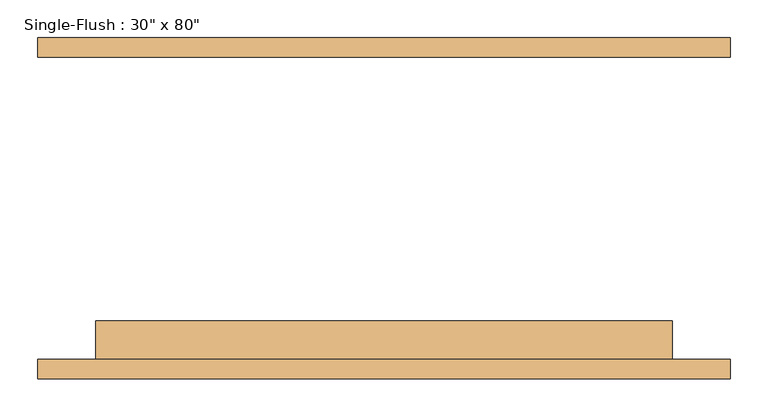
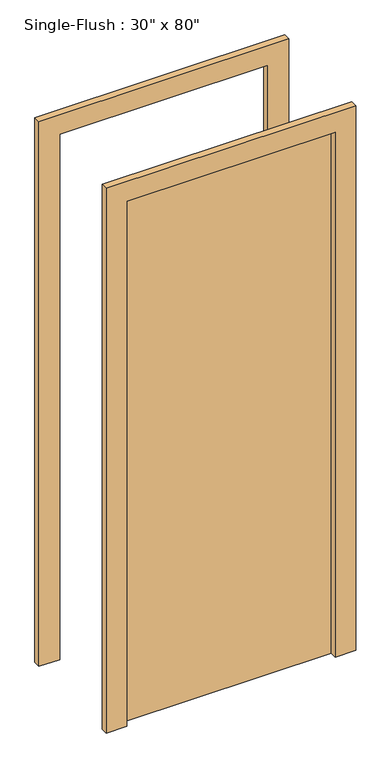
"""IFC4 building model written with IfcOpenShell, lengths in millimetres: door geometry."""

import ifcopenshell
import ifcopenshell.guid

model = None  # the IFC model being written
_history = None  # IfcOwnerHistory: only IFC2X3 demands one
_inside = {}  # id of a spatial element -> (the spatial element, [elements in it])
_under = {}  # id of a project, library or spatial element -> (it, [spatial elements below it])
_declared = {}  # id of a project -> (the project, [libraries it declares])
_typed = {}  # id of a type object -> (the type object, [elements of that type])
_made_of = {}  # id of a material, layer set ... -> (it, [elements and type objects made of it])


def new_model(schema):
    """Start an empty IFC model of exactly this schema.

    Asked for "IFC4X3", IfcOpenShell would pick the latest addendum, in which some entities
    have other attributes; the version numbers below select the first issue.
    IFC2X3 requires an IfcOwnerHistory on every rooted entity: one is made here for all.
    """
    global model, _history
    if schema == "IFC4X3":
        model = ifcopenshell.file(schema_version=(4, 3, 0, 0))
    else:
        model = ifcopenshell.file(schema=schema)
    _inside.clear()
    _under.clear()
    _declared.clear()
    _typed.clear()
    _made_of.clear()
    _history = None
    if model.schema == "IFC2X3":
        org = make("IfcOrganization", Name="unknown")
        user = make(
            "IfcPersonAndOrganization",
            ThePerson=make("IfcPerson", FamilyName="unknown"),
            TheOrganization=org,
        )
        app = make(
            "IfcApplication",
            ApplicationDeveloper=org,
            Version="unknown",
            ApplicationFullName="unknown",
            ApplicationIdentifier="unknown",
        )
        _history = make(
            "IfcOwnerHistory",
            OwningUser=user,
            OwningApplication=app,
            ChangeAction="ADDED",
            CreationDate=0,
        )
    return model


def make(cls, **values):
    """One entity of the class cls with the attributes given. An attribute that is None is left unset."""
    return model.create_entity(
        cls, **{name: value for name, value in values.items() if value is not None}
    )


def rooted(cls, **values):
    """An entity with a GlobalId (a new one), such as an element, a storey or a relation."""
    return make(cls, GlobalId=ifcopenshell.guid.new(), OwnerHistory=_history, **values)


def si_unit(unit_type, name, prefix=None):
    """IfcSIUnit, for example si_unit("LENGTHUNIT", "METRE", prefix="MILLI")."""
    return make("IfcSIUnit", UnitType=unit_type, Prefix=prefix, Name=name)


def assignment(units):
    """IfcUnitAssignment: the units of a project."""
    return None if units is None else make("IfcUnitAssignment", Units=units)


def point(xyz):
    """IfcCartesianPoint."""
    return None if xyz is None else make("IfcCartesianPoint", Coordinates=xyz)


def direction(xyz):
    """IfcDirection."""
    return None if xyz is None else make("IfcDirection", DirectionRatios=xyz)


def frame(location, z_axis=None, x_axis=None):
    """IfcAxis2Placement3D, a coordinate frame: its origin and axes. An axis left out is left unset."""
    return make(
        "IfcAxis2Placement3D",
        Location=point(location),
        Axis=direction(z_axis),
        RefDirection=direction(x_axis),
    )


def origin():
    """The frame at (0, 0, 0) with its axes left unset."""
    return frame((0.0, 0.0, 0.0))


def origin_with_axes():
    """The frame at (0, 0, 0) with the z axis (0, 0, 1) and the x axis (1, 0, 0) written out."""
    return frame((0.0, 0.0, 0.0), z_axis=(0.0, 0.0, 1.0), x_axis=(1.0, 0.0, 0.0))


def place(relative_to, where):
    """IfcLocalPlacement: puts the frame where relative to a parent placement (None: the world)."""
    return make(
        "IfcLocalPlacement", PlacementRelTo=relative_to, RelativePlacement=where
    )


def context(
    kind, dimensions, precision=None, world=None, true_north=None, identifier=None
):
    """IfcGeometricRepresentationContext, for example the 3D "Model" context."""
    return make(
        "IfcGeometricRepresentationContext",
        ContextIdentifier=identifier,
        ContextType=kind,
        CoordinateSpaceDimension=dimensions,
        Precision=precision,
        WorldCoordinateSystem=world,
        TrueNorth=true_north,
    )


def project(units=None, contexts=None):
    """IfcProject with its units and contexts."""
    return rooted(
        "IfcProject",
        Name="project",
        RepresentationContexts=contexts,
        UnitsInContext=assignment(units),
    )


def spatial(cls, under=None, at=None, **own):
    """A site, building, storey or space (cls), placed at a placement, below another one or the project."""
    s = rooted(cls, ObjectPlacement=at, **own)
    if under is not None:
        _under.setdefault(under.id(), (under, []))[1].append(s)
    return s


def polyline(points):
    """IfcPolyline through the points."""
    return make("IfcPolyline", Points=[point(p) for p in points])


def outline(outer, holes=None, kind="AREA"):
    """IfcArbitraryClosedProfileDef: a profile drawn as a closed curve; with holes, ...WithVoids."""
    if holes is None:
        return make("IfcArbitraryClosedProfileDef", ProfileType=kind, OuterCurve=outer)
    return make(
        "IfcArbitraryProfileDefWithVoids",
        ProfileType=kind,
        OuterCurve=outer,
        InnerCurves=holes,
    )


def extrude(swept, where, along, depth):
    """IfcExtrudedAreaSolid: the profile swept, set in the frame where, extruded along a direction by depth."""
    return make(
        "IfcExtrudedAreaSolid",
        SweptArea=swept,
        Position=where,
        ExtrudedDirection=direction(along),
        Depth=depth,
    )


def shape(context_of_items, identifier, shape_type, items):
    """IfcShapeRepresentation: the items that make up one representation, for example the "Body"."""
    return make(
        "IfcShapeRepresentation",
        ContextOfItems=context_of_items,
        RepresentationIdentifier=identifier,
        RepresentationType=shape_type,
        Items=items,
    )


def source(mapping_origin, context_of_items, identifier, shape_type, items):
    """IfcRepresentationMap: a shape defined once, which mapped items show again and again."""
    return make(
        "IfcRepresentationMap",
        MappingOrigin=mapping_origin,
        MappedRepresentation=shape(context_of_items, identifier, shape_type, items),
    )


def transform(
    local_origin,
    x_axis=None,
    y_axis=None,
    z_axis=None,
    scale=None,
    scale2=None,
    scale3=None,
    uniform=True,
):
    """IfcCartesianTransformationOperator3D, or its non-uniform kind. x_axis, y_axis, z_axis: its Axis1, 2, 3."""
    if uniform:
        return make(
            "IfcCartesianTransformationOperator3D",
            Axis1=direction(x_axis),
            Axis2=direction(y_axis),
            LocalOrigin=point(local_origin),
            Scale=scale,
            Axis3=direction(z_axis),
        )
    return make(
        "IfcCartesianTransformationOperator3DnonUniform",
        Axis1=direction(x_axis),
        Axis2=direction(y_axis),
        LocalOrigin=point(local_origin),
        Scale=scale,
        Axis3=direction(z_axis),
        Scale2=scale2,
        Scale3=scale3,
    )


def mapped(mapping_source, mapping_target):
    """IfcMappedItem: shows the shape of a source again, moved by a transform."""
    return make(
        "IfcMappedItem", MappingSource=mapping_source, MappingTarget=mapping_target
    )


def made_of(thing, what):
    """Note that an element or type object is made of a material, layer set ...; save() writes the relation."""
    if what is not None:
        _made_of.setdefault(what.id(), (what, []))[1].append(thing)
    return thing


def element(
    cls,
    number,
    at=None,
    inside=None,
    cuts=None,
    type_object=None,
    material=None,
    context=None,
    identifier="Body",
    shape_type=None,
    held_by="IfcProductDefinitionShape",
    body=None,
    shapes=None,
    **own,
):
    """One element of the class cls, such as IfcWall. Its Tag is "e" and its number.

    at: its placement. inside: the storey or other place that contains it. cuts: it is an
    opening in that element (IfcRelVoidsElement). A single representation is given by context,
    identifier, shape_type and body (its items); several are given by shapes. held_by: the class
    of the entity that holds the representations. save() writes the other relations.
    """
    e = rooted(cls, Tag="e%d" % number, ObjectPlacement=at, **own)
    if body is not None:
        shapes = [shape(context, identifier, shape_type, body)]
    if shapes is not None:
        e.Representation = make(held_by, Representations=shapes)
    if inside is not None:
        _inside.setdefault(inside.id(), (inside, []))[1].append(e)
    if cuts is not None:
        rooted(
            "IfcRelVoidsElement", RelatingBuildingElement=cuts, RelatedOpeningElement=e
        )
    if type_object is not None:
        _typed.setdefault(type_object.id(), (type_object, []))[1].append(e)
    return made_of(e, material)


def aggregate(whole, parts):
    """IfcRelAggregates: a whole, such as a stair, and the parts it consists of."""
    return rooted("IfcRelAggregates", RelatingObject=whole, RelatedObjects=parts)


def save(model, path):
    """Write the relations noted so far, then the file.

    IfcRelAggregates (storeys below a building ...), IfcRelContainedInSpatialStructure (elements
    in a storey), IfcRelDefinesByType, IfcRelAssociatesMaterial and IfcRelDeclares: one each for
    every whole, place, type object, material and project.
    """
    for whole, parts in _under.values():
        aggregate(whole, parts)
    for where, things in _inside.values():
        rooted(
            "IfcRelContainedInSpatialStructure",
            RelatedElements=things,
            RelatingStructure=where,
        )
    for kind, things in _typed.values():
        rooted("IfcRelDefinesByType", RelatedObjects=things, RelatingType=kind)
    for what, things in _made_of.values():
        rooted("IfcRelAssociatesMaterial", RelatedObjects=things, RelatingMaterial=what)
    for by, libraries in _declared.values():
        rooted("IfcRelDeclares", RelatingContext=by, RelatedDefinitions=libraries)
    model.write(path)


def door_762318a5(model_context):
    return source(origin(), model_context, "Body", "SweptSolid", [
        extrude(outline(polyline([(2108.2, -457.2), (0.0, -457.2), (0.0, -381.0), (2032.0, -381.0), (2032.0, 381.0), (0.0, 381.0), (0.0, 457.2), (2108.2, 457.2), (2108.2, -457.2)])), frame((0.0, -225.4, 0.0), z_axis=(0.0, 1.0, 0.0), x_axis=(0.0, 0.0, 1.0)), (0.0, 0.0, 1.0), 25.4),
        extrude(outline(polyline([(2108.2, 457.2), (2108.2, -457.2), (0.0, -457.2), (0.0, -381.0), (2032.0, -381.0), (2032.0, 381.0), (0.0, 381.0), (0.0, 457.2), (2108.2, 457.2)])), frame((0.0, 200.0, 0.0), z_axis=(0.0, 1.0, 0.0), x_axis=(0.0, 0.0, 1.0)), (0.0, 0.0, 1.0), 25.4),
        extrude(outline(polyline([(381.0, -149.2), (381.0, -200.0), (-381.0, -200.0), (-381.0, -149.2), (381.0, -149.2)])), origin_with_axes(), (0.0, 0.0, 1.0), 2032.0),
    ])


if __name__ == "__main__":
    model = new_model("IFC4")
    model_context = context("Model", 3, world=origin())
    ifc_project = project(units=[si_unit("LENGTHUNIT", "METRE", prefix="MILLI")], contexts=[model_context])
    site = spatial("IfcSite", under=ifc_project)
    building = spatial("IfcBuilding", under=site)
    placement = place(None, origin())
    door_shape = door_762318a5(model_context)
    element("IfcDoor", 1, ObjectType="Single-Flush : 30\" x 80\"", at=placement, inside=building, context=model_context, shape_type="MappedRepresentation", body=[
        mapped(door_shape, transform((0.0, 0.0, 0.0), x_axis=(1.0, 0.0, 0.0), y_axis=(0.0, 1.0, 0.0), z_axis=(0.0, 0.0, 1.0))),
    ])
    save(model, "model.ifc")
